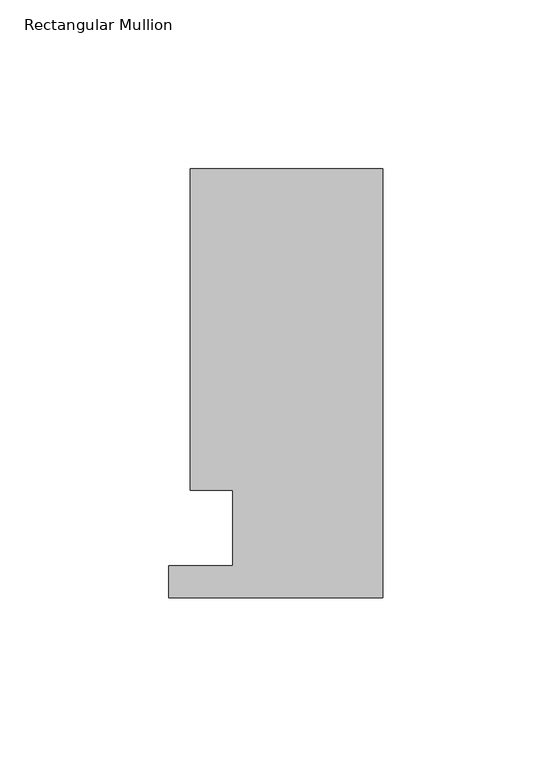
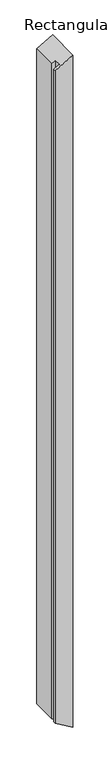
"""IFC4 building model written with IfcOpenShell, lengths in millimetres: member geometry, Rectangular Mullion."""

from ifc_helpers import new_model, si_unit, origin, place, context, project, spatial, faceted_brep, source, transform, mapped, element, save


def rectangular_mullion_89bb0acf(model_context):
    return source(origin(), model_context, "Body", "Brep", [
        faceted_brep([(-44.45, 37.9870311, -25.6632195), (-57.15, 37.9870311, -32.9955679), (-57.15, 37.9870311, -2528.9293351), (-44.45, 37.9870311, -2536.2616835), (-44.45, 15.5344812, -25.6632195), (-44.45, 15.5344812, -2536.2616835), (-63.5, 15.5344812, -36.6617421), (-63.5, 15.5344812, -2525.2631609), (-63.5, 6.0348812, -36.6617421), (-63.5, 6.0348812, -2525.2631609), (0.0, 6.0348813, 0.0), (0.0, 6.0348813, -2561.924903), (0.0, 133.2634813, 0.0), (0.0, 133.2634813, -2561.924903), (-57.15, 133.2634813, -32.9955679), (-57.15, 133.2634813, -2528.9293351)], [[[0, 1, 2, 3]], [[4, 0, 3, 5]], [[6, 4, 5, 7]], [[8, 6, 7, 9]], [[10, 8, 9, 11]], [[12, 10, 11, 13]], [[14, 12, 13, 15]], [[1, 14, 15, 2]], [[1, 0, 4, 6, 8, 10, 12, 14]], [[2, 15, 13, 11, 9, 7, 5, 3]]]),
    ])


if __name__ == "__main__":
    model = new_model("IFC4")
    model_context = context("Model", 3, world=origin())
    ifc_project = project(units=[si_unit("LENGTHUNIT", "METRE", prefix="MILLI")], contexts=[model_context])
    site = spatial("IfcSite", under=ifc_project)
    building = spatial("IfcBuilding", under=site)
    placement = place(None, origin())
    rectangular_mullion_shape = rectangular_mullion_89bb0acf(model_context)
    element("IfcMember", 1, ObjectType="Rectangular Mullion", at=placement, inside=building, context=model_context, shape_type="MappedRepresentation", body=[
        mapped(rectangular_mullion_shape, transform((0.0, 0.0, 0.0), x_axis=(1.0, 0.0, 0.0), y_axis=(0.0, 1.0, 0.0), z_axis=(0.0, 0.0, 1.0))),
    ])
    save(model, "model.ifc")
